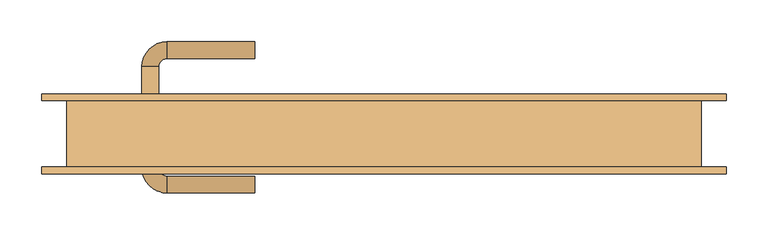
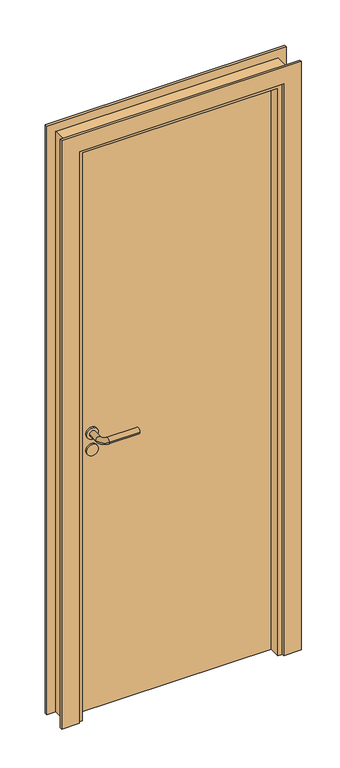
"""IFC4 building model written with IfcOpenShell, lengths in millimetres: door geometry."""

from ifc_helpers import new_model, si_unit, point, frame, frame_2d, origin, origin_with_axes, place, context, project, spatial, polyline, circle_curve, ellipse_curve, trimmed, segment, composite_curve, outline, extrude, faceted_brep, source, transform, mapped, element, save
from ifc_brep_helpers import plane_surface, cylinder_surface, revolved_surface, advanced_brep


def door_e875f171(model_context):
    return source(origin(), model_context, "Body", "SolidModel", [
        advanced_brep(
        [(-300.0, 46.5831809, 1000.0), (-260.0, 46.5831809, 1000.0), (-290.0, 46.5831809, 1000.0), (-270.0, 46.5831809, 1000.0), (-300.0, 40.0, 1000.0), (-260.0, 40.0, 1000.0), (-155.0, 110.6350833, 1000.0), (-155.0, 90.6350833, 1000.0), (-290.0, 80.6350833, 1000.0), (-270.0, 80.6350833, 1000.0), (-260.0, 90.6350833, 1000.0), (-260.0, 110.6350833, 1000.0)],
        [
            (0, 1, circle_curve(frame((-280.0, 46.5831809, 1000.0), z_axis=(0.0, 1.0, 0.0), x_axis=(1.0, 0.0, 0.0)), 20.0)),
            (1, 0, circle_curve(frame((-280.0, 46.5831809, 1000.0), z_axis=(0.0, 1.0, 0.0), x_axis=(1.0, 0.0, 0.0)), 20.0)),
            (2, 3, circle_curve(frame((-280.0, 46.5831809, 1000.0), z_axis=(0.0, -1.0, 0.0), x_axis=(1.0, 0.0, 0.0)), 10.0)),
            (3, 2, circle_curve(frame((-280.0, 46.5831809, 1000.0), z_axis=(0.0, -1.0, 0.0), x_axis=(1.0, 0.0, 0.0)), 10.0)),
            (4, 5, circle_curve(frame((-280.0, 40.0, 1000.0), z_axis=(0.0, -1.0, 0.0), x_axis=(1.0, 0.0, 0.0)), 20.0)),
            (5, 4, circle_curve(frame((-280.0, 40.0, 1000.0), z_axis=(0.0, -1.0, 0.0), x_axis=(1.0, 0.0, 0.0)), 20.0)),
            (1, 5),
            (4, 0),
            (6, 7, circle_curve(frame((-155.0, 100.6350833, 1000.0), z_axis=(1.0, 0.0, 0.0), x_axis=(0.0, -1.0, 0.0)), 10.0)),
            (7, 6, circle_curve(frame((-155.0, 100.6350833, 1000.0), z_axis=(1.0, 0.0, 0.0), x_axis=(0.0, -1.0, 0.0)), 10.0)),
            (8, 2),
            (3, 9),
            (9, 8, circle_curve(frame((-280.0, 80.6350833, 1000.0), z_axis=(0.0, -1.0, 0.0), x_axis=(1.0, 0.0, 0.0)), 10.0)),
            (8, 9, circle_curve(frame((-280.0, 80.6350833, 1000.0), z_axis=(0.0, -1.0, 0.0), x_axis=(1.0, 0.0, 0.0)), 10.0)),
            (9, 10, circle_curve(frame((-260.0, 80.6350833, 1000.0), z_axis=(0.0, 0.0, -1.0), x_axis=(-1.0, 0.0, 0.0)), 10.0)),
            (10, 11, circle_curve(frame((-260.0, 100.6350833, 1000.0), z_axis=(-1.0, 0.0, 0.0), x_axis=(0.0, -1.0, 0.0)), 10.0)),
            (11, 8, circle_curve(frame((-260.0, 80.6350833, 1000.0), z_axis=(0.0, 0.0, 1.0), x_axis=(-1.0, 0.0, 0.0)), 30.0)),
            (11, 10, circle_curve(frame((-260.0, 100.6350833, 1000.0), z_axis=(-1.0, 0.0, 0.0), x_axis=(0.0, -1.0, 0.0)), 10.0)),
            (6, 11),
            (10, 7),
        ],
        [
            plane_surface(frame((-260.0, 46.5831809, 1000.0), z_axis=(0.0, 1.0, 0.0), x_axis=(0.0, 0.0, 1.0))),
            plane_surface(frame((-260.0, 40.0, 1000.0), z_axis=(0.0, -1.0, 0.0), x_axis=(0.0, 0.0, -1.0))),
            cylinder_surface(frame((-280.0, 40.0, 1000.0), z_axis=(0.0, 1.0, 0.0), x_axis=(1.0, 0.0, 0.0)), 20.0),
            plane_surface(frame((-155.0, 100.6350833, 1000.0), z_axis=(1.0, 0.0, 0.0), x_axis=(0.0, 0.0, -1.0))),
            cylinder_surface(frame((-280.0, 40.0, 1000.0), z_axis=(0.0, -1.0, 0.0), x_axis=(1.0, 0.0, 0.0)), 10.0),
            revolved_surface(trimmed(ellipse_curve(frame((-280.0, 80.6350833, 1000.0), z_axis=(0.0, 1.0, 0.0), x_axis=(1.0, 0.0, 0.0)), 10.0, 10.0), [point((-290.0, 80.6350833, 1000.0))], [point((-270.0, 80.6350833, 1000.0))], True, "CARTESIAN"), (-260.0, 80.6350833, 1000.0), (0.0, 0.0, 1.0)),
            revolved_surface(trimmed(ellipse_curve(frame((-280.0, 80.6350833, 1000.0), z_axis=(0.0, 1.0, 0.0), x_axis=(1.0, 0.0, 0.0)), 10.0, 10.0), [point((-270.0, 80.6350833, 1000.0))], [point((-290.0, 80.6350833, 1000.0))], True, "CARTESIAN"), (-260.0, 80.6350833, 1000.0), (0.0, 0.0, 1.0)),
            cylinder_surface(frame((-260.0, 100.6350833, 1000.0), z_axis=(-1.0, 0.0, 0.0), x_axis=(0.0, -1.0, 0.0)), 10.0),
        ],
        [
            (0, [[1, 2], [3, 4]]),
            (1, [[5, 6]]),
            (2, [[7, -5, 8, -2]]),
            (2, [[-8, -6, -7, -1]]),
            (3, [[9, 10]]),
            (4, [[11, -4, 12, 13]]),
            (4, [[-12, -3, -11, 14]]),
            (5, [[15, 16, 17, -13]]),
            (6, [[-17, 18, -15, -14]]),
            (7, [[19, -16, 20, -9]]),
            (7, [[-20, -18, -19, -10]]),
        ],
    ),
        extrude(outline(composite_curve([segment(trimmed(circle_curve(frame_2d((940.0, -280.0)), 20.0), [point((940.0, -300.0))], [point((940.0, -260.0))], False, "CARTESIAN"), True, "CONTINUOUS"), segment(trimmed(circle_curve(frame_2d((940.0, -280.0)), 20.0), [point((940.0, -260.0))], [point((940.0, -300.0))], False, "CARTESIAN"), True, "CONTINUOUS")], self_intersect=False)), frame((0.0, 40.0, 0.0), z_axis=(0.0, 1.0, 0.0), x_axis=(0.0, 0.0, 1.0)), (0.0, 0.0, 1.0), 6.5831809),
        advanced_brep(
        [(-300.0, -6.5831809, 1000.0), (-260.0, -6.5831809, 1000.0), (-290.0, -6.5831809, 1000.0), (-270.0, -6.5831809, 1000.0), (-300.0, 0.0, 1000.0), (-260.0, 0.0, 1000.0), (-155.0, -70.6350833, 1000.0), (-155.0, -50.6350833, 1000.0), (-290.0, -40.6350833, 1000.0), (-270.0, -40.6350833, 1000.0), (-260.0, -70.6350833, 1000.0), (-260.0, -50.6350833, 1000.0)],
        [
            (0, 1, circle_curve(frame((-280.0, -6.5831809, 1000.0), z_axis=(0.0, -1.0, 0.0), x_axis=(1.0, 0.0, 0.0)), 20.0)),
            (1, 0, circle_curve(frame((-280.0, -6.5831809, 1000.0), z_axis=(0.0, -1.0, 0.0), x_axis=(1.0, 0.0, 0.0)), 20.0)),
            (2, 3, circle_curve(frame((-280.0, -6.5831809, 1000.0), z_axis=(0.0, 1.0, 0.0), x_axis=(1.0, 0.0, 0.0)), 10.0)),
            (3, 2, circle_curve(frame((-280.0, -6.5831809, 1000.0), z_axis=(0.0, 1.0, 0.0), x_axis=(1.0, 0.0, 0.0)), 10.0)),
            (4, 5, circle_curve(frame((-280.0, 0.0, 1000.0), z_axis=(0.0, 1.0, 0.0), x_axis=(1.0, 0.0, 0.0)), 20.0)),
            (5, 4, circle_curve(frame((-280.0, 0.0, 1000.0), z_axis=(0.0, 1.0, 0.0), x_axis=(1.0, 0.0, 0.0)), 20.0)),
            (0, 4),
            (5, 1),
            (6, 7, circle_curve(frame((-155.0, -60.6350833, 1000.0), z_axis=(1.0, 0.0, 0.0), x_axis=(0.0, 1.0, 0.0)), 10.0)),
            (7, 6, circle_curve(frame((-155.0, -60.6350833, 1000.0), z_axis=(1.0, 0.0, 0.0), x_axis=(0.0, 1.0, 0.0)), 10.0)),
            (8, 9, circle_curve(frame((-280.0, -40.6350833, 1000.0), z_axis=(0.0, 1.0, 0.0), x_axis=(1.0, 0.0, 0.0)), 10.0)),
            (9, 3),
            (2, 8),
            (9, 8, circle_curve(frame((-280.0, -40.6350833, 1000.0), z_axis=(0.0, 1.0, 0.0), x_axis=(1.0, 0.0, 0.0)), 10.0)),
            (8, 10, circle_curve(frame((-260.0, -40.6350833, 1000.0), z_axis=(0.0, 0.0, 1.0), x_axis=(-1.0, 0.0, 0.0)), 30.0)),
            (10, 11, circle_curve(frame((-260.0, -60.6350833, 1000.0), z_axis=(-1.0, 0.0, 0.0), x_axis=(0.0, 1.0, 0.0)), 10.0)),
            (11, 9, circle_curve(frame((-260.0, -40.6350833, 1000.0), z_axis=(0.0, 0.0, -1.0), x_axis=(-1.0, 0.0, 0.0)), 10.0)),
            (11, 10, circle_curve(frame((-260.0, -60.6350833, 1000.0), z_axis=(-1.0, 0.0, 0.0), x_axis=(0.0, 1.0, 0.0)), 10.0)),
            (7, 11),
            (10, 6),
        ],
        [
            plane_surface(frame((-260.0, -6.5831809, 1000.0), z_axis=(0.0, -1.0, 0.0), x_axis=(0.0, 0.0, 1.0))),
            plane_surface(frame((-260.0, 0.0, 1000.0), z_axis=(0.0, 1.0, 0.0), x_axis=(0.0, 0.0, -1.0))),
            cylinder_surface(frame((-280.0, 0.0, 1000.0), z_axis=(0.0, -1.0, 0.0), x_axis=(1.0, 0.0, 0.0)), 20.0),
            plane_surface(frame((-155.0, -60.6350833, 1000.0), z_axis=(1.0, 0.0, 0.0), x_axis=(0.0, 0.0, -1.0))),
            cylinder_surface(frame((-280.0, 0.0, 1000.0), z_axis=(0.0, 1.0, 0.0), x_axis=(1.0, 0.0, 0.0)), 10.0),
            revolved_surface(trimmed(ellipse_curve(frame((-280.0, -40.6350833, 1000.0), z_axis=(0.0, 1.0, 0.0), x_axis=(1.0, 0.0, 0.0)), 10.0, 10.0), [point((-290.0, -40.6350833, 1000.0))], [point((-270.0, -40.6350833, 1000.0))], True, "CARTESIAN"), (-260.0, -40.6350833, 1000.0), (0.0, 0.0, 1.0)),
            revolved_surface(trimmed(ellipse_curve(frame((-280.0, -40.6350833, 1000.0), z_axis=(0.0, 1.0, 0.0), x_axis=(1.0, 0.0, 0.0)), 10.0, 10.0), [point((-270.0, -40.6350833, 1000.0))], [point((-290.0, -40.6350833, 1000.0))], True, "CARTESIAN"), (-260.0, -40.6350833, 1000.0), (0.0, 0.0, 1.0)),
            cylinder_surface(frame((-260.0, -60.6350833, 1000.0), z_axis=(-1.0, 0.0, 0.0), x_axis=(0.0, 1.0, 0.0)), 10.0),
        ],
        [
            (0, [[1, 2], [3, 4]]),
            (1, [[5, 6]]),
            (2, [[-1, 7, -6, 8]]),
            (2, [[-2, -8, -5, -7]]),
            (3, [[9, 10]]),
            (4, [[11, 12, -3, 13]]),
            (4, [[14, -13, -4, -12]]),
            (5, [[-11, 15, 16, 17]]),
            (6, [[-14, -17, 18, -15]]),
            (7, [[-10, 19, -16, 20]]),
            (7, [[-9, -20, -18, -19]]),
        ],
    ),
        extrude(outline(composite_curve([segment(trimmed(circle_curve(frame_2d((940.0, -280.0)), 20.0), [point((940.0, -300.0))], [point((940.0, -260.0))], False, "CARTESIAN"), True, "CONTINUOUS"), segment(trimmed(circle_curve(frame_2d((940.0, -280.0)), 20.0), [point((940.0, -260.0))], [point((940.0, -300.0))], False, "CARTESIAN"), True, "CONTINUOUS")], self_intersect=False)), frame((0.0, -6.5831809, 0.0), z_axis=(0.0, 1.0, 0.0), x_axis=(0.0, 0.0, 1.0)), (0.0, 0.0, 1.0), 6.5831809),
        extrude(outline(polyline([(-350.0, 20.0), (350.0, 20.0), (350.0, 0.0), (-350.0, 0.0), (-350.0, 20.0)])), origin_with_axes(), (0.0, 0.0, 1.0), 2070.0),
        extrude(outline(polyline([(350.0, 20.0), (-350.0, 20.0), (-350.0, 40.0), (350.0, 40.0), (350.0, 20.0)])), origin_with_axes(), (0.0, 0.0, 1.0), 2070.0),
        extrude(outline(polyline([(0.0, -350.0), (2070.0, -350.0), (2070.0, 350.0), (0.0, 350.0), (0.0, 410.0), (2130.0, 410.0), (2130.0, -410.0), (0.0, -410.0), (0.0, -350.0)])), frame((0.0, 40.0, 0.0), z_axis=(0.0, 1.0, 0.0), x_axis=(0.0, 0.0, 1.0)), (0.0, 0.0, 1.0), 8.0),
        extrude(outline(polyline([(0.0, -410.0), (0.0, -350.0), (2070.0, -350.0), (2070.0, 350.0), (0.0, 350.0), (0.0, 410.0), (2130.0, 410.0), (2130.0, -410.0), (0.0, -410.0)])), frame((0.0, -48.0, 0.0), z_axis=(0.0, 1.0, 0.0), x_axis=(0.0, 0.0, 1.0)), (0.0, 0.0, 1.0), 8.0),
        faceted_brep([(-350.0, 0.0, 0.0), (-335.0, 0.0, 0.0), (-335.0, -40.0, 0.0), (-380.0, -40.0, 0.0), (-380.0, 40.0, 0.0), (-350.0, 40.0, 0.0), (-350.0, 0.0, 2070.0), (350.0, 0.0, 2070.0), (350.0, 0.0, 0.0), (335.0, 0.0, 0.0), (335.0, 0.0, 2055.0), (-335.0, 0.0, 2055.0), (-335.0, -40.0, 2055.0), (335.0, -40.0, 2055.0), (335.0, -40.0, 0.0), (380.0, -40.0, 0.0), (380.0, -40.0, 2100.0), (-380.0, -40.0, 2100.0), (-380.0, 40.0, 2100.0), (380.0, 40.0, 2100.0), (380.0, 40.0, 0.0), (350.0, 40.0, 0.0), (350.0, 40.0, 2070.0), (-350.0, 40.0, 2070.0)], [[[0, 1, 2, 3, 4, 5]], [[1, 0, 6, 7, 8, 9, 10, 11]], [[2, 1, 11, 12]], [[3, 2, 12, 13, 14, 15, 16, 17]], [[4, 3, 17, 18]], [[5, 4, 18, 19, 20, 21, 22, 23]], [[0, 5, 23, 6]], [[12, 11, 10, 13]], [[18, 17, 16, 19]], [[6, 23, 22, 7]], [[8, 21, 20, 15, 14, 9]], [[13, 10, 9, 14]], [[19, 16, 15, 20]], [[7, 22, 21, 8]]]),
    ])


if __name__ == "__main__":
    model = new_model("IFC4")
    model_context = context("Model", 3, world=origin())
    ifc_project = project(units=[si_unit("LENGTHUNIT", "METRE", prefix="MILLI")], contexts=[model_context])
    site = spatial("IfcSite", under=ifc_project)
    building = spatial("IfcBuilding", under=site)
    placement = place(None, origin())
    door_shape = door_e875f171(model_context)
    element("IfcDoor", 1, at=placement, inside=building, context=model_context, shape_type="MappedRepresentation", body=[
        mapped(door_shape, transform((0.0, 0.0, 0.0), x_axis=(1.0, 0.0, 0.0), y_axis=(0.0, 1.0, 0.0), z_axis=(0.0, 0.0, 1.0))),
    ])
    save(model, "model.ifc")
